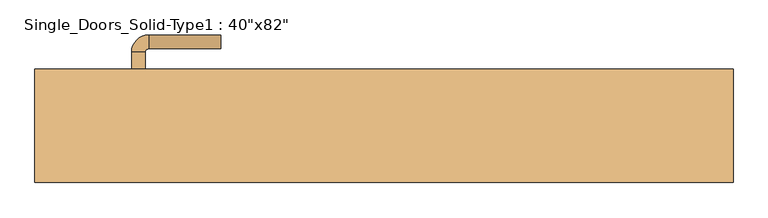
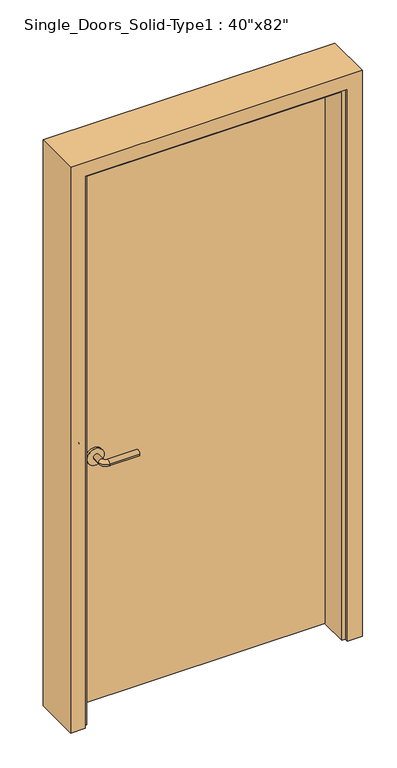
"""IFC4 building model written with IfcOpenShell, lengths in millimetres: door geometry."""

from ifc_helpers import new_model, si_unit, point, frame, frame_2d, origin, origin_with_axes, place, context, project, spatial, polyline, circle_curve, ellipse_curve, trimmed, segment, composite_curve, outline, extrude, faceted_brep, source, transform, mapped, element, save
from ifc_brep_helpers import plane_surface, cylinder_surface, revolved_surface, advanced_brep


def door_01948f42(model_context):
    return source(origin(), model_context, "Body", "SolidModel", [
        advanced_brep(
        [(-367.2, 23.75, 900.0), (-347.2, 23.75, 900.0), (-347.2, -6.25, 900.0), (-367.2, -6.25, 900.0), (-342.2, -11.25, 900.0), (-342.2, -31.25, 900.0), (-237.2, -31.25, 900.0), (-237.2, -11.25, 900.0)],
        [
            (0, 1, circle_curve(frame((-357.2, 23.75, 900.0), z_axis=(0.0, 1.0, 0.0), x_axis=(1.0, 0.0, 0.0)), 10.0)),
            (1, 0, circle_curve(frame((-357.2, 23.75, 900.0), z_axis=(0.0, 1.0, 0.0), x_axis=(1.0, 0.0, 0.0)), 10.0)),
            (1, 2),
            (2, 3, circle_curve(frame((-357.2, -6.25, 900.0), z_axis=(0.0, 1.0, 0.0), x_axis=(1.0, 0.0, 0.0)), 10.0)),
            (3, 0),
            (3, 2, circle_curve(frame((-357.2, -6.25, 900.0), z_axis=(0.0, 1.0, 0.0), x_axis=(1.0, 0.0, 0.0)), 10.0)),
            (4, 5, circle_curve(frame((-342.2, -21.25, 900.0), z_axis=(-1.0, 0.0, 0.0), x_axis=(0.0, 1.0, 0.0)), 10.0)),
            (5, 3, circle_curve(frame((-342.2, -6.25, 900.0), z_axis=(0.0, 0.0, -1.0), x_axis=(-1.0, 0.0, 0.0)), 25.0)),
            (2, 4, circle_curve(frame((-342.2, -6.25, 900.0), z_axis=(0.0, 0.0, 1.0), x_axis=(-1.0, 0.0, 0.0)), 5.0)),
            (5, 4, circle_curve(frame((-342.2, -21.25, 900.0), z_axis=(-1.0, 0.0, 0.0), x_axis=(0.0, 1.0, 0.0)), 10.0)),
            (6, 7, circle_curve(frame((-237.2, -21.25, 900.0), z_axis=(1.0, 0.0, 0.0), x_axis=(0.0, 1.0, 0.0)), 10.0)),
            (7, 6, circle_curve(frame((-237.2, -21.25, 900.0), z_axis=(1.0, 0.0, 0.0), x_axis=(0.0, 1.0, 0.0)), 10.0)),
            (4, 7),
            (6, 5),
        ],
        [
            plane_surface(frame((-357.2, 23.75, 900.0), z_axis=(0.0, 1.0, 0.0), x_axis=(0.0, 0.0, 1.0))),
            cylinder_surface(frame((-357.2, 23.75, 900.0), z_axis=(0.0, 1.0, 0.0), x_axis=(1.0, 0.0, 0.0)), 10.0),
            revolved_surface(trimmed(ellipse_curve(frame((-357.2, -6.25, 900.0), z_axis=(0.0, -1.0, 0.0), x_axis=(1.0, 0.0, 0.0)), 10.0, 10.0), [point((-367.2, -6.25, 900.0))], [point((-347.2, -6.25, 900.0))], True, "CARTESIAN"), (-342.2, -6.25, 900.0), (0.0, 0.0, -1.0)),
            revolved_surface(trimmed(ellipse_curve(frame((-357.2, -6.25, 900.0), z_axis=(0.0, -1.0, 0.0), x_axis=(1.0, 0.0, 0.0)), 10.0, 10.0), [point((-347.2, -6.25, 900.0))], [point((-367.2, -6.25, 900.0))], True, "CARTESIAN"), (-342.2, -6.25, 900.0), (0.0, 0.0, -1.0)),
            plane_surface(frame((-237.2, -21.25, 900.0), z_axis=(1.0, 0.0, 0.0), x_axis=(0.0, 0.0, 1.0))),
            cylinder_surface(frame((-342.2, -21.25, 900.0), z_axis=(-1.0, 0.0, 0.0), x_axis=(0.0, 1.0, 0.0)), 10.0),
        ],
        [
            (0, [[1, 2]]),
            (1, [[3, 4, 5, -2]]),
            (1, [[-5, 6, -3, -1]]),
            (2, [[7, 8, -4, 9]]),
            (3, [[10, -9, -6, -8]]),
            (4, [[11, 12]]),
            (5, [[13, -11, 14, -7]]),
            (5, [[-14, -12, -13, -10]]),
        ],
    ),
        extrude(outline(composite_curve([segment(trimmed(circle_curve(frame_2d((900.0, -359.7)), 30.0), [point((900.0, -389.7))], [point((900.0, -329.7))], False, "CARTESIAN"), True, "CONTINUOUS"), segment(trimmed(circle_curve(frame_2d((900.0, -359.7)), 30.0), [point((900.0, -329.7))], [point((900.0, -389.7))], False, "CARTESIAN"), True, "CONTINUOUS")], self_intersect=False)), frame((0.0, 23.75, 0.0), z_axis=(0.0, 1.0, 0.0), x_axis=(0.0, 0.0, 1.0)), (0.0, 0.0, 1.0), 8.0),
        advanced_brep(
        [(-367.2, 77.85, 900.0), (-347.2, 77.85, 900.0), (-367.2, 107.85, 900.0), (-347.2, 107.85, 900.0), (-342.2, 112.85, 900.0), (-342.2, 132.85, 900.0), (-237.2, 132.85, 900.0), (-237.2, 112.85, 900.0)],
        [
            (0, 1, circle_curve(frame((-357.2, 77.85, 900.0), z_axis=(0.0, -1.0, 0.0), x_axis=(1.0, 0.0, 0.0)), 10.0)),
            (1, 0, circle_curve(frame((-357.2, 77.85, 900.0), z_axis=(0.0, -1.0, 0.0), x_axis=(1.0, 0.0, 0.0)), 10.0)),
            (0, 2),
            (2, 3, circle_curve(frame((-357.2, 107.85, 900.0), z_axis=(0.0, -1.0, 0.0), x_axis=(1.0, 0.0, 0.0)), 10.0)),
            (3, 1),
            (3, 2, circle_curve(frame((-357.2, 107.85, 900.0), z_axis=(0.0, -1.0, 0.0), x_axis=(1.0, 0.0, 0.0)), 10.0)),
            (4, 3, circle_curve(frame((-342.2, 107.85, 900.0), z_axis=(0.0, 0.0, 1.0), x_axis=(-1.0, 0.0, 0.0)), 5.0)),
            (2, 5, circle_curve(frame((-342.2, 107.85, 900.0), z_axis=(0.0, 0.0, -1.0), x_axis=(-1.0, 0.0, 0.0)), 25.0)),
            (5, 4, circle_curve(frame((-342.2, 122.85, 900.0), z_axis=(-1.0, 0.0, 0.0), x_axis=(0.0, -1.0, 0.0)), 10.0)),
            (4, 5, circle_curve(frame((-342.2, 122.85, 900.0), z_axis=(-1.0, 0.0, 0.0), x_axis=(0.0, -1.0, 0.0)), 10.0)),
            (6, 7, circle_curve(frame((-237.2, 122.85, 900.0), z_axis=(1.0, 0.0, 0.0), x_axis=(0.0, -1.0, 0.0)), 10.0)),
            (7, 6, circle_curve(frame((-237.2, 122.85, 900.0), z_axis=(1.0, 0.0, 0.0), x_axis=(0.0, -1.0, 0.0)), 10.0)),
            (5, 6),
            (7, 4),
        ],
        [
            plane_surface(frame((-357.2, 77.85, 900.0), z_axis=(0.0, -1.0, 0.0), x_axis=(0.0, 0.0, 1.0))),
            cylinder_surface(frame((-357.2, 77.85, 900.0), z_axis=(0.0, -1.0, 0.0), x_axis=(1.0, 0.0, 0.0)), 10.0),
            revolved_surface(trimmed(ellipse_curve(frame((-357.2, 107.85, 900.0), z_axis=(0.0, -1.0, 0.0), x_axis=(1.0, 0.0, 0.0)), 10.0, 10.0), [point((-367.2, 107.85, 900.0))], [point((-347.2, 107.85, 900.0))], True, "CARTESIAN"), (-342.2, 107.85, 900.0), (0.0, 0.0, -1.0)),
            revolved_surface(trimmed(ellipse_curve(frame((-357.2, 107.85, 900.0), z_axis=(0.0, -1.0, 0.0), x_axis=(1.0, 0.0, 0.0)), 10.0, 10.0), [point((-347.2, 107.85, 900.0))], [point((-367.2, 107.85, 900.0))], True, "CARTESIAN"), (-342.2, 107.85, 900.0), (0.0, 0.0, -1.0)),
            plane_surface(frame((-237.2, 122.85, 900.0), z_axis=(1.0, 0.0, 0.0), x_axis=(0.0, 0.0, 1.0))),
            cylinder_surface(frame((-342.2, 122.85, 900.0), z_axis=(-1.0, 0.0, 0.0), x_axis=(0.0, -1.0, 0.0)), 10.0),
        ],
        [
            (0, [[1, 2]]),
            (1, [[-1, 3, 4, 5]]),
            (1, [[-2, -5, 6, -3]]),
            (2, [[7, -4, 8, 9]]),
            (3, [[-8, -6, -7, 10]]),
            (4, [[11, 12]]),
            (5, [[-9, 13, -12, 14]]),
            (5, [[-10, -14, -11, -13]]),
        ],
    ),
        extrude(outline(composite_curve([segment(trimmed(circle_curve(frame_2d((900.0, -359.7)), 30.0), [point((900.0, -389.7))], [point((900.0, -329.7))], False, "CARTESIAN"), True, "CONTINUOUS"), segment(trimmed(circle_curve(frame_2d((900.0, -359.7)), 30.0), [point((900.0, -329.7))], [point((900.0, -389.7))], False, "CARTESIAN"), True, "CONTINUOUS")], self_intersect=False)), frame((0.0, 69.85, 0.0), z_axis=(0.0, 1.0, 0.0), x_axis=(0.0, 0.0, 1.0)), (0.0, 0.0, 1.0), 8.0),
        faceted_brep([(-508.0, -82.55, 0.0), (-508.0, 82.55, 0.0), (-457.2, 82.55, 0.0), (-457.2, 31.75, 0.0), (-444.5, 31.75, 0.0), (-444.5, -69.85, 0.0), (-457.2, -69.85, 0.0), (-457.2, -82.55, 0.0), (-508.0, -82.55, 2082.8), (-508.0, 82.55, 2082.8), (508.0, 82.55, 2082.8), (508.0, 82.55, 0.0), (457.2, 82.55, 0.0), (457.2, 82.55, 2032.0), (-457.2, 82.55, 2032.0), (-457.2, 31.75, 2032.0), (457.2, 31.75, 2032.0), (457.2, 31.75, 0.0), (444.5, 31.75, 0.0), (444.5, 31.75, 2019.3), (-444.5, 31.75, 2019.3), (-444.5, -69.85, 2019.3), (444.5, -69.85, 2019.3), (444.5, -69.85, 0.0), (457.2, -69.85, 0.0), (457.2, -69.85, 2032.0), (-457.2, -69.85, 2032.0), (-457.2, -82.55, 2032.0), (457.2, -82.55, 2032.0), (457.2, -82.55, 0.0), (508.0, -82.55, 0.0), (508.0, -82.55, 2082.8)], [[[0, 1, 2, 3, 4, 5, 6, 7]], [[1, 0, 8, 9]], [[2, 1, 9, 10, 11, 12, 13, 14]], [[3, 2, 14, 15]], [[4, 3, 15, 16, 17, 18, 19, 20]], [[5, 4, 20, 21]], [[6, 5, 21, 22, 23, 24, 25, 26]], [[7, 6, 26, 27]], [[0, 7, 27, 28, 29, 30, 31, 8]], [[10, 31, 30, 11]], [[30, 29, 24, 23, 18, 17, 12, 11]], [[16, 13, 12, 17]], [[22, 19, 18, 23]], [[28, 25, 24, 29]], [[9, 8, 31, 10]], [[15, 14, 13, 16]], [[21, 20, 19, 22]], [[27, 26, 25, 28]]]),
        extrude(outline(polyline([(457.2, 31.75), (-457.2, 31.75), (-457.2, 69.85), (457.2, 69.85), (457.2, 31.75)])), origin_with_axes(), (0.0, 0.0, 1.0), 2032.0),
    ])


if __name__ == "__main__":
    model = new_model("IFC4")
    model_context = context("Model", 3, world=origin())
    ifc_project = project(units=[si_unit("LENGTHUNIT", "METRE", prefix="MILLI")], contexts=[model_context])
    site = spatial("IfcSite", under=ifc_project)
    building = spatial("IfcBuilding", under=site)
    placement = place(None, origin())
    door_shape = door_01948f42(model_context)
    element("IfcDoor", 1, ObjectType="Single_Doors_Solid-Type1 : 40\"x82\"", at=placement, inside=building, context=model_context, shape_type="MappedRepresentation", body=[
        mapped(door_shape, transform((0.0, 0.0, 0.0), x_axis=(1.0, 0.0, 0.0), y_axis=(0.0, 1.0, 0.0), z_axis=(0.0, 0.0, 1.0))),
    ])
    save(model, "model.ifc")
